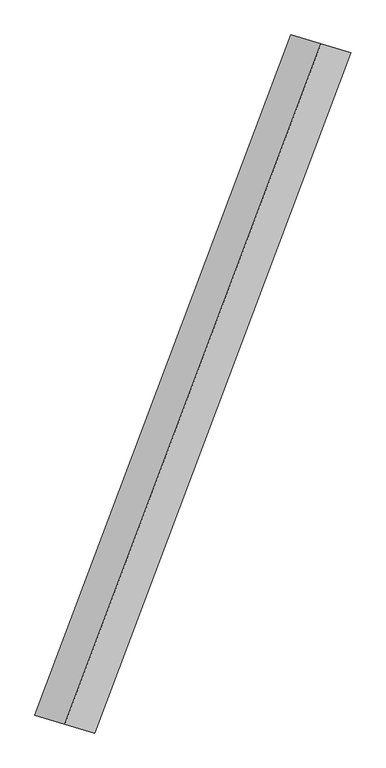
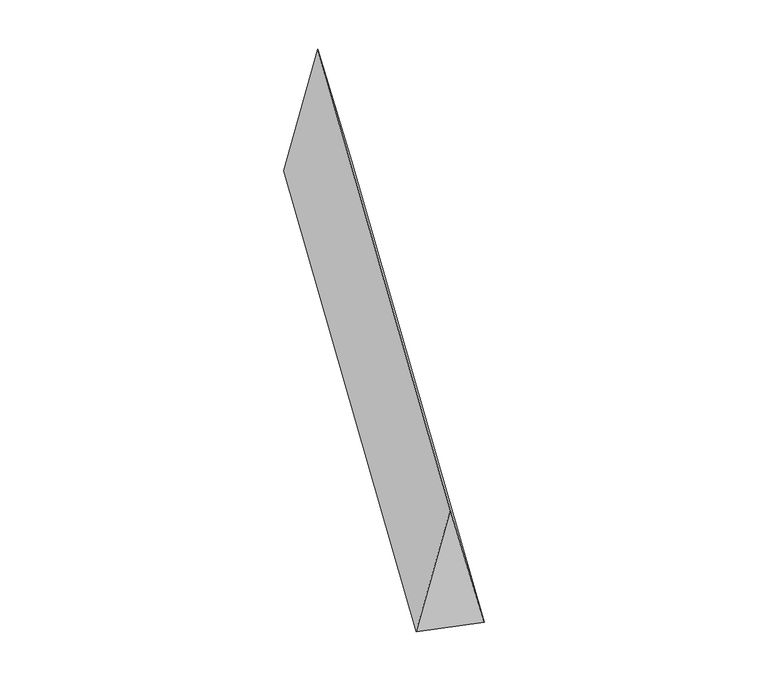
"""IFC4 building model written with IfcOpenShell, lengths in millimetres: proxy geometry."""

from ifc_helpers import new_model, si_unit, origin, place, context, project, spatial, faceted_brep, source, transform, mapped, element, save


def generic_models_fef9dd34(model_context):
    return source(origin(), model_context, "Body", "Brep", [
        faceted_brep([(-707.2089895, -1876.5458351, 700.0), (-541.5519296, -1925.4585046, 0.0), (872.8660494, 1827.6331656, 0.0), (707.2089895, 1876.5458351, 700.0), (-872.8660494, -1827.6331656, 0.0), (541.5519296, 1925.4585046, 0.0)], [[[0, 1, 2, 3]], [[1, 4, 5, 2]], [[4, 0, 3, 5]], [[3, 2, 5]], [[0, 4, 1]]]),
    ])


if __name__ == "__main__":
    model = new_model("IFC4")
    model_context = context("Model", 3, world=origin())
    ifc_project = project(units=[si_unit("LENGTHUNIT", "METRE", prefix="MILLI")], contexts=[model_context])
    site = spatial("IfcSite", under=ifc_project)
    building = spatial("IfcBuilding", under=site)
    placement = place(None, origin())
    generic_models_shape = generic_models_fef9dd34(model_context)
    element("IfcBuildingElementProxy", 1, Name="Generic Models", at=placement, inside=building, context=model_context, shape_type="MappedRepresentation", body=[
        mapped(generic_models_shape, transform((0.0, 0.0, 0.0), x_axis=(1.0, 0.0, 0.0), y_axis=(0.0, 1.0, 0.0), z_axis=(0.0, 0.0, 1.0))),
    ])
    save(model, "model.ifc")
